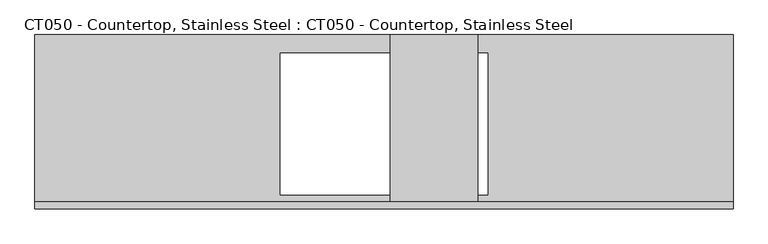
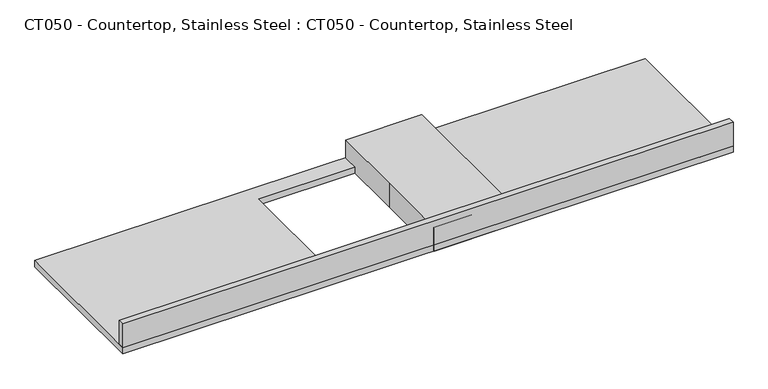
"""IFC4 building model written with IfcOpenShell, lengths in millimetres: proxy geometry, CT050 - Countertop, Stainless Steel : CT050 - Countertop, Stainless Steel."""

from ifc_helpers import new_model, si_unit, frame, origin, origin_with_axes, place, context, project, spatial, polyline, outline, extrude, source, transform, mapped, element, save


def ct050_countertop_stainless_steel_ct050_countertop_stainless_8bb81a2e(model_context):
    return source(origin(), model_context, "Body", "SweptSolid", [
        extrude(outline(polyline([(1044.575, -304.8), (-1393.825, -304.8), (-1393.825, 304.8), (1044.575, 304.8), (1044.575, -304.8)]), holes=[polyline([(187.3250001, -255.5875), (187.3250001, 241.3), (-536.575, 241.3), (-536.575, -255.5875), (187.3250001, -255.5875)])]), origin_with_axes(), (0.0, 0.0, 1.0), 25.4),
        extrude(outline(polyline([(-1393.825, -279.4), (1044.575, -279.4), (1044.575, -304.8), (-1393.825, -304.8), (-1393.825, -279.4)])), frame((0.0, 0.0, 25.4), z_axis=(0.0, 0.0, 1.0), x_axis=(1.0, 0.0, 0.0)), (0.0, 0.0, 1.0), 101.6),
        extrude(outline(polyline([(-152.4, -304.8), (-152.4, 0.0), (-152.4, 304.8), (152.4, 304.8), (152.4, -304.8), (-152.4, -304.8)])), origin_with_axes(), (0.0, 0.0, 1.0), 101.6),
    ])


if __name__ == "__main__":
    model = new_model("IFC4")
    model_context = context("Model", 3, world=origin())
    ifc_project = project(units=[si_unit("LENGTHUNIT", "METRE", prefix="MILLI")], contexts=[model_context])
    site = spatial("IfcSite", under=ifc_project)
    building = spatial("IfcBuilding", under=site)
    placement = place(None, origin())
    ct050_countertop_stainless_steel_ct050_countertop_stainless_shape = ct050_countertop_stainless_steel_ct050_countertop_stainless_8bb81a2e(model_context)
    element("IfcBuildingElementProxy", 1, Name="CT050 - Countertop, Stainless Steel : CT050 - Countertop, Stainless Steel", ObjectType="CT050 - Countertop, Stainless Steel : CT050 - Countertop, Stainless Steel", at=placement, inside=building, context=model_context, shape_type="MappedRepresentation", body=[
        mapped(ct050_countertop_stainless_steel_ct050_countertop_stainless_shape, transform((0.0, 0.0, 0.0), x_axis=(1.0, 0.0, 0.0), y_axis=(0.0, 1.0, 0.0), z_axis=(0.0, 0.0, 1.0))),
    ])
    save(model, "model.ifc")
